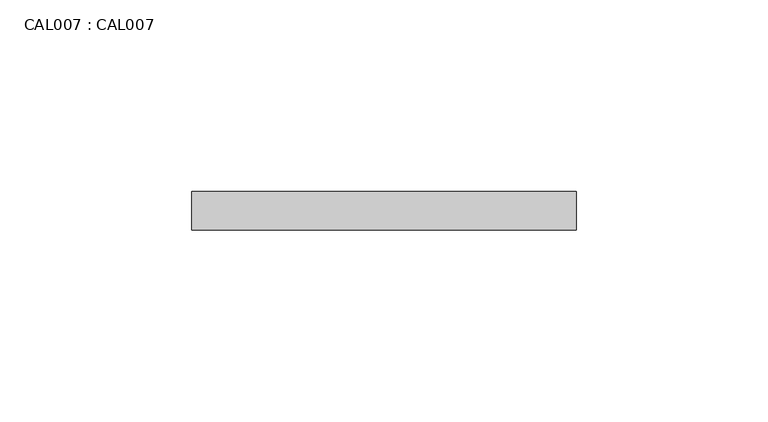
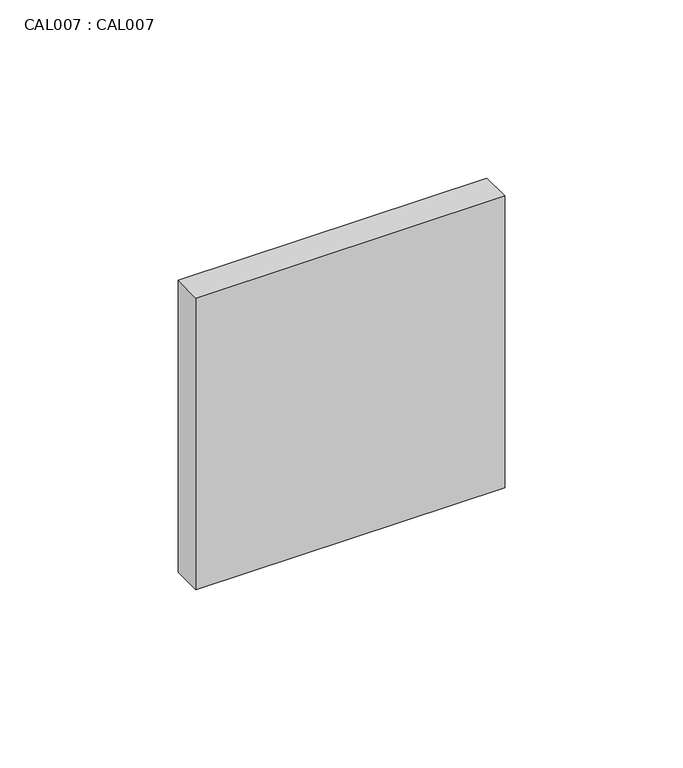
"""IFC4 building model written with IfcOpenShell, lengths in millimetres: proxy geometry, CAL007 : CAL007."""

from ifc_helpers import new_model, si_unit, frame, origin, place, context, project, spatial, polyline, outline, extrude, source, transform, mapped, element, save


def cal007_cal007_fcad8c2b(model_context):
    return source(origin(), model_context, "Body", "SweptSolid", [
        extrude(outline(polyline([(50.0000004, 0.0), (50.0000004, -10.0000005), (-50.0000004, -10.0000005), (-50.0000004, 0.0), (50.0000004, 0.0)])), frame((0.0, 0.0, -50.0000004), z_axis=(0.0, 0.0, 1.0), x_axis=(1.0, 0.0, 0.0)), (0.0, 0.0, 1.0), 100.0000008),
    ])


if __name__ == "__main__":
    model = new_model("IFC4")
    model_context = context("Model", 3, world=origin())
    ifc_project = project(units=[si_unit("LENGTHUNIT", "METRE", prefix="MILLI")], contexts=[model_context])
    site = spatial("IfcSite", under=ifc_project)
    building = spatial("IfcBuilding", under=site)
    placement = place(None, origin())
    cal007_cal007_shape = cal007_cal007_fcad8c2b(model_context)
    element("IfcBuildingElementProxy", 1, Name="CAL007 : CAL007", ObjectType="CAL007 : CAL007", at=placement, inside=building, context=model_context, shape_type="MappedRepresentation", body=[
        mapped(cal007_cal007_shape, transform((0.0, 0.0, 0.0), x_axis=(1.0, 0.0, 0.0), y_axis=(0.0, 1.0, 0.0), z_axis=(0.0, 0.0, 1.0))),
    ])
    save(model, "model.ifc")
